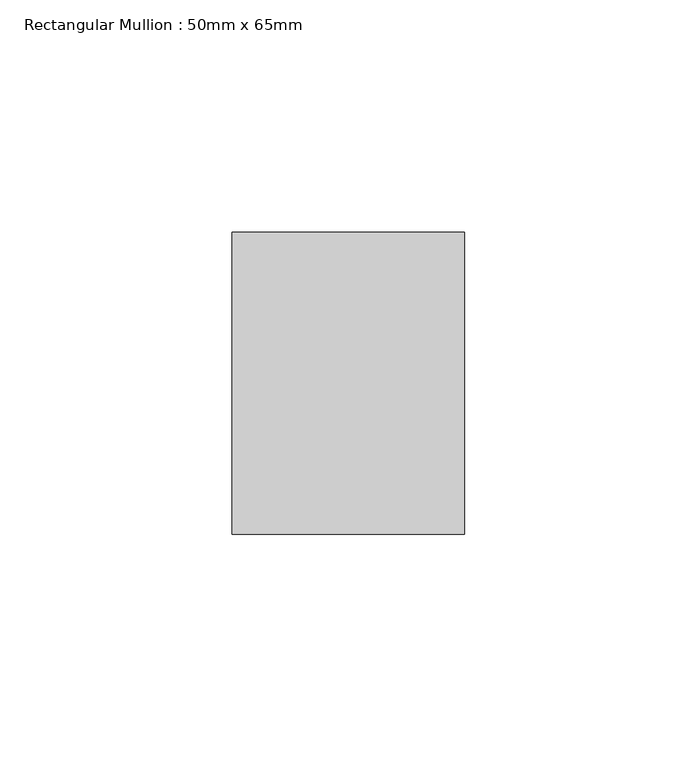
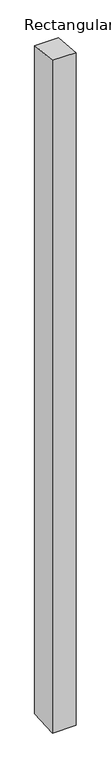
"""IFC4 building model written with IfcOpenShell, lengths in millimetres: member geometry, Rectangular Mullion : 50mm x 65mm."""

import ifcopenshell
import ifcopenshell.guid

model = None  # the IFC model being written
_history = None  # IfcOwnerHistory: only IFC2X3 demands one
_inside = {}  # id of a spatial element -> (the spatial element, [elements in it])
_under = {}  # id of a project, library or spatial element -> (it, [spatial elements below it])
_declared = {}  # id of a project -> (the project, [libraries it declares])
_typed = {}  # id of a type object -> (the type object, [elements of that type])
_made_of = {}  # id of a material, layer set ... -> (it, [elements and type objects made of it])


def new_model(schema):
    """Start an empty IFC model of exactly this schema.

    Asked for "IFC4X3", IfcOpenShell would pick the latest addendum, in which some entities
    have other attributes; the version numbers below select the first issue.
    IFC2X3 requires an IfcOwnerHistory on every rooted entity: one is made here for all.
    """
    global model, _history
    if schema == "IFC4X3":
        model = ifcopenshell.file(schema_version=(4, 3, 0, 0))
    else:
        model = ifcopenshell.file(schema=schema)
    _inside.clear()
    _under.clear()
    _declared.clear()
    _typed.clear()
    _made_of.clear()
    _history = None
    if model.schema == "IFC2X3":
        org = make("IfcOrganization", Name="unknown")
        user = make(
            "IfcPersonAndOrganization",
            ThePerson=make("IfcPerson", FamilyName="unknown"),
            TheOrganization=org,
        )
        app = make(
            "IfcApplication",
            ApplicationDeveloper=org,
            Version="unknown",
            ApplicationFullName="unknown",
            ApplicationIdentifier="unknown",
        )
        _history = make(
            "IfcOwnerHistory",
            OwningUser=user,
            OwningApplication=app,
            ChangeAction="ADDED",
            CreationDate=0,
        )
    return model


def make(cls, **values):
    """One entity of the class cls with the attributes given. An attribute that is None is left unset."""
    return model.create_entity(
        cls, **{name: value for name, value in values.items() if value is not None}
    )


def rooted(cls, **values):
    """An entity with a GlobalId (a new one), such as an element, a storey or a relation."""
    return make(cls, GlobalId=ifcopenshell.guid.new(), OwnerHistory=_history, **values)


def si_unit(unit_type, name, prefix=None):
    """IfcSIUnit, for example si_unit("LENGTHUNIT", "METRE", prefix="MILLI")."""
    return make("IfcSIUnit", UnitType=unit_type, Prefix=prefix, Name=name)


def assignment(units):
    """IfcUnitAssignment: the units of a project."""
    return None if units is None else make("IfcUnitAssignment", Units=units)


def point(xyz):
    """IfcCartesianPoint."""
    return None if xyz is None else make("IfcCartesianPoint", Coordinates=xyz)


def direction(xyz):
    """IfcDirection."""
    return None if xyz is None else make("IfcDirection", DirectionRatios=xyz)


def frame(location, z_axis=None, x_axis=None):
    """IfcAxis2Placement3D, a coordinate frame: its origin and axes. An axis left out is left unset."""
    return make(
        "IfcAxis2Placement3D",
        Location=point(location),
        Axis=direction(z_axis),
        RefDirection=direction(x_axis),
    )


def origin():
    """The frame at (0, 0, 0) with its axes left unset."""
    return frame((0.0, 0.0, 0.0))


def place(relative_to, where):
    """IfcLocalPlacement: puts the frame where relative to a parent placement (None: the world)."""
    return make(
        "IfcLocalPlacement", PlacementRelTo=relative_to, RelativePlacement=where
    )


def context(
    kind, dimensions, precision=None, world=None, true_north=None, identifier=None
):
    """IfcGeometricRepresentationContext, for example the 3D "Model" context."""
    return make(
        "IfcGeometricRepresentationContext",
        ContextIdentifier=identifier,
        ContextType=kind,
        CoordinateSpaceDimension=dimensions,
        Precision=precision,
        WorldCoordinateSystem=world,
        TrueNorth=true_north,
    )


def project(units=None, contexts=None):
    """IfcProject with its units and contexts."""
    return rooted(
        "IfcProject",
        Name="project",
        RepresentationContexts=contexts,
        UnitsInContext=assignment(units),
    )


def spatial(cls, under=None, at=None, **own):
    """A site, building, storey or space (cls), placed at a placement, below another one or the project."""
    s = rooted(cls, ObjectPlacement=at, **own)
    if under is not None:
        _under.setdefault(under.id(), (under, []))[1].append(s)
    return s


def polyline(points):
    """IfcPolyline through the points."""
    return make("IfcPolyline", Points=[point(p) for p in points])


def outline(outer, holes=None, kind="AREA"):
    """IfcArbitraryClosedProfileDef: a profile drawn as a closed curve; with holes, ...WithVoids."""
    if holes is None:
        return make("IfcArbitraryClosedProfileDef", ProfileType=kind, OuterCurve=outer)
    return make(
        "IfcArbitraryProfileDefWithVoids",
        ProfileType=kind,
        OuterCurve=outer,
        InnerCurves=holes,
    )


def extrude(swept, where, along, depth):
    """IfcExtrudedAreaSolid: the profile swept, set in the frame where, extruded along a direction by depth."""
    return make(
        "IfcExtrudedAreaSolid",
        SweptArea=swept,
        Position=where,
        ExtrudedDirection=direction(along),
        Depth=depth,
    )


def shape(context_of_items, identifier, shape_type, items):
    """IfcShapeRepresentation: the items that make up one representation, for example the "Body"."""
    return make(
        "IfcShapeRepresentation",
        ContextOfItems=context_of_items,
        RepresentationIdentifier=identifier,
        RepresentationType=shape_type,
        Items=items,
    )


def source(mapping_origin, context_of_items, identifier, shape_type, items):
    """IfcRepresentationMap: a shape defined once, which mapped items show again and again."""
    return make(
        "IfcRepresentationMap",
        MappingOrigin=mapping_origin,
        MappedRepresentation=shape(context_of_items, identifier, shape_type, items),
    )


def transform(
    local_origin,
    x_axis=None,
    y_axis=None,
    z_axis=None,
    scale=None,
    scale2=None,
    scale3=None,
    uniform=True,
):
    """IfcCartesianTransformationOperator3D, or its non-uniform kind. x_axis, y_axis, z_axis: its Axis1, 2, 3."""
    if uniform:
        return make(
            "IfcCartesianTransformationOperator3D",
            Axis1=direction(x_axis),
            Axis2=direction(y_axis),
            LocalOrigin=point(local_origin),
            Scale=scale,
            Axis3=direction(z_axis),
        )
    return make(
        "IfcCartesianTransformationOperator3DnonUniform",
        Axis1=direction(x_axis),
        Axis2=direction(y_axis),
        LocalOrigin=point(local_origin),
        Scale=scale,
        Axis3=direction(z_axis),
        Scale2=scale2,
        Scale3=scale3,
    )


def mapped(mapping_source, mapping_target):
    """IfcMappedItem: shows the shape of a source again, moved by a transform."""
    return make(
        "IfcMappedItem", MappingSource=mapping_source, MappingTarget=mapping_target
    )


def made_of(thing, what):
    """Note that an element or type object is made of a material, layer set ...; save() writes the relation."""
    if what is not None:
        _made_of.setdefault(what.id(), (what, []))[1].append(thing)
    return thing


def element(
    cls,
    number,
    at=None,
    inside=None,
    cuts=None,
    type_object=None,
    material=None,
    context=None,
    identifier="Body",
    shape_type=None,
    held_by="IfcProductDefinitionShape",
    body=None,
    shapes=None,
    **own,
):
    """One element of the class cls, such as IfcWall. Its Tag is "e" and its number.

    at: its placement. inside: the storey or other place that contains it. cuts: it is an
    opening in that element (IfcRelVoidsElement). A single representation is given by context,
    identifier, shape_type and body (its items); several are given by shapes. held_by: the class
    of the entity that holds the representations. save() writes the other relations.
    """
    e = rooted(cls, Tag="e%d" % number, ObjectPlacement=at, **own)
    if body is not None:
        shapes = [shape(context, identifier, shape_type, body)]
    if shapes is not None:
        e.Representation = make(held_by, Representations=shapes)
    if inside is not None:
        _inside.setdefault(inside.id(), (inside, []))[1].append(e)
    if cuts is not None:
        rooted(
            "IfcRelVoidsElement", RelatingBuildingElement=cuts, RelatedOpeningElement=e
        )
    if type_object is not None:
        _typed.setdefault(type_object.id(), (type_object, []))[1].append(e)
    return made_of(e, material)


def aggregate(whole, parts):
    """IfcRelAggregates: a whole, such as a stair, and the parts it consists of."""
    return rooted("IfcRelAggregates", RelatingObject=whole, RelatedObjects=parts)


def save(model, path):
    """Write the relations noted so far, then the file.

    IfcRelAggregates (storeys below a building ...), IfcRelContainedInSpatialStructure (elements
    in a storey), IfcRelDefinesByType, IfcRelAssociatesMaterial and IfcRelDeclares: one each for
    every whole, place, type object, material and project.
    """
    for whole, parts in _under.values():
        aggregate(whole, parts)
    for where, things in _inside.values():
        rooted(
            "IfcRelContainedInSpatialStructure",
            RelatedElements=things,
            RelatingStructure=where,
        )
    for kind, things in _typed.values():
        rooted("IfcRelDefinesByType", RelatedObjects=things, RelatingType=kind)
    for what, things in _made_of.values():
        rooted("IfcRelAssociatesMaterial", RelatedObjects=things, RelatingMaterial=what)
    for by, libraries in _declared.values():
        rooted("IfcRelDeclares", RelatingContext=by, RelatedDefinitions=libraries)
    model.write(path)


def rectangular_mullion_50mm_x_65mm_c264d06a(model_context):
    return source(origin(), model_context, "Body", "SweptSolid", [
        extrude(outline(polyline([(-32.5, 3.1469346), (32.5, -3.1469347), (32.5, -1497.833456), (-32.5, -1502.1654096), (-32.5, 3.1469346)])), frame((-25.0, 0.0, 0.0), z_axis=(1.0, 0.0, 0.0), x_axis=(0.0, 1.0, 0.0)), (0.0, 0.0, 1.0), 50.0),
    ])


if __name__ == "__main__":
    model = new_model("IFC4")
    model_context = context("Model", 3, world=origin())
    ifc_project = project(units=[si_unit("LENGTHUNIT", "METRE", prefix="MILLI")], contexts=[model_context])
    site = spatial("IfcSite", under=ifc_project)
    building = spatial("IfcBuilding", under=site)
    placement = place(None, origin())
    rectangular_mullion_50mm_x_65mm_shape = rectangular_mullion_50mm_x_65mm_c264d06a(model_context)
    element("IfcMember", 1, ObjectType="Rectangular Mullion : 50mm x 65mm", at=placement, inside=building, context=model_context, shape_type="MappedRepresentation", body=[
        mapped(rectangular_mullion_50mm_x_65mm_shape, transform((0.0, 0.0, 0.0), x_axis=(1.0, 0.0, 0.0), y_axis=(0.0, 1.0, 0.0), z_axis=(0.0, 0.0, 1.0))),
    ])
    save(model, "model.ifc")
